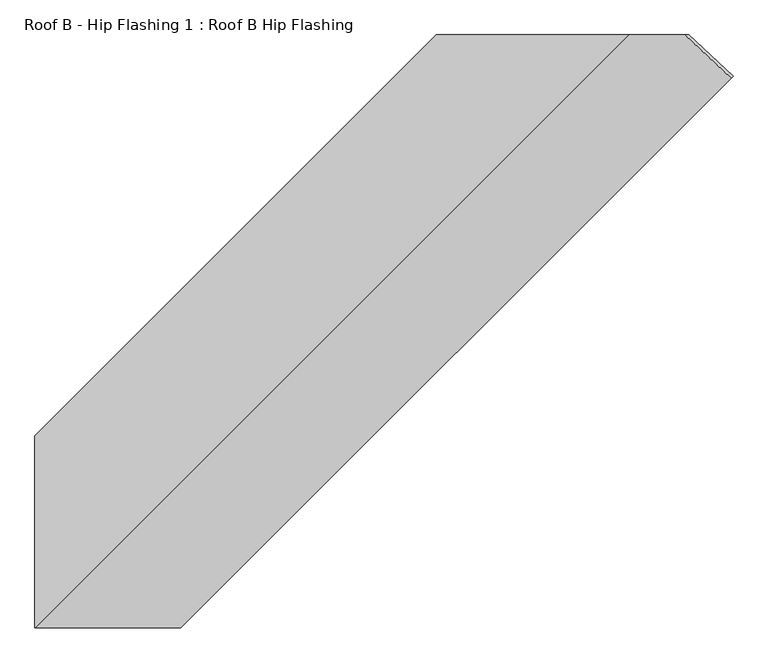
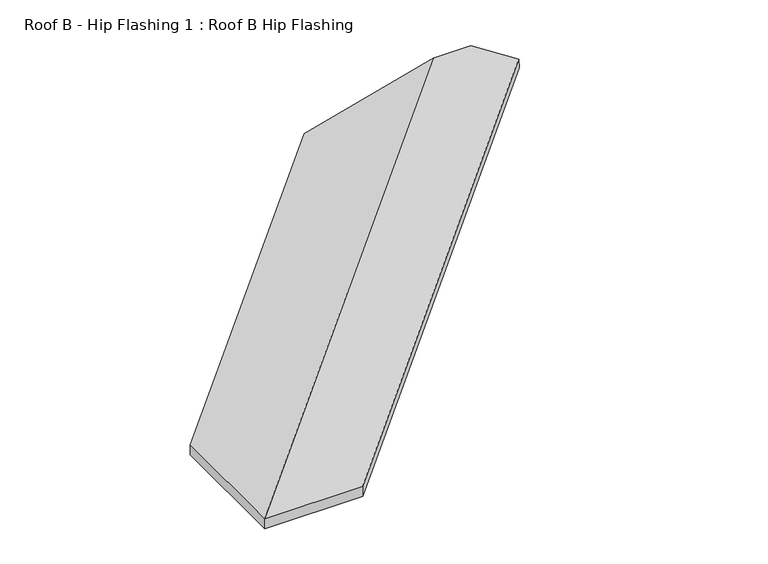
"""IFC4 building model written with IfcOpenShell, lengths in millimetres: proxy geometry, Roof B - Hip Flashing 1 : Roof B Hip Flashing."""

from ifc_helpers import new_model, si_unit, origin, place, context, project, spatial, faceted_brep, source, transform, mapped, element, save


def roof_b_hip_flashing_1_roof_b_hip_flashing_9a4deef5(model_context):
    return source(origin(), model_context, "Body", "Brep", [
        faceted_brep([(1006.8170572, -3400.2441419, 3635.261907), (1011.6107982, -3395.4504009, 3599.4809368), (908.7834952, -3299.5112211, 3625.1877625), (898.851838, -3299.5112211, 3662.2532118), (-614.8642623, -4234.1313734, 3254.8242992), (-614.8642623, -4234.1313734, 3291.543953), (319.75589, -3299.5112211, 3541.974668), (319.75589, -3299.5112211, 3505.2550142), (-614.8642623, -4682.2309265, 3291.543953), (-614.078179, -4682.2309265, 3291.7545833), (768.6415264, -3299.5112211, 3662.2532118), (-275.1697275, -4682.2309265, 3291.7545833), (-275.1697275, -4682.2309265, 3254.6891341), (-614.8642623, -4682.2309265, 3254.6891341), (-614.8642623, -4681.7264836, 3254.8242992), (767.3510002, -3299.5112211, 3625.1877625)], [[[0, 1, 2, 3]], [[4, 5, 6, 7]], [[8, 9, 10, 6, 5]], [[11, 0, 3, 10, 9]], [[1, 0, 11, 12]], [[1, 12, 13, 14, 15, 2]], [[14, 4, 7, 15]], [[11, 9, 8, 13, 12]], [[5, 4, 14, 13, 8]], [[3, 2, 15, 7, 6, 10]]]),
    ])


if __name__ == "__main__":
    model = new_model("IFC4")
    model_context = context("Model", 3, world=origin())
    ifc_project = project(units=[si_unit("LENGTHUNIT", "METRE", prefix="MILLI")], contexts=[model_context])
    site = spatial("IfcSite", under=ifc_project)
    building = spatial("IfcBuilding", under=site)
    placement = place(None, origin())
    roof_b_hip_flashing_1_roof_b_hip_flashing_shape = roof_b_hip_flashing_1_roof_b_hip_flashing_9a4deef5(model_context)
    element("IfcBuildingElementProxy", 1, Name="Roof B - Hip Flashing 1 : Roof B Hip Flashing", ObjectType="Roof B - Hip Flashing 1 : Roof B Hip Flashing", at=placement, inside=building, context=model_context, shape_type="MappedRepresentation", body=[
        mapped(roof_b_hip_flashing_1_roof_b_hip_flashing_shape, transform((0.0, 0.0, 0.0), x_axis=(1.0, 0.0, 0.0), y_axis=(0.0, 1.0, 0.0), z_axis=(0.0, 0.0, 1.0))),
    ])
    save(model, "model.ifc")
